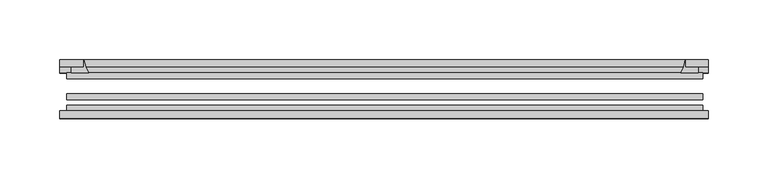
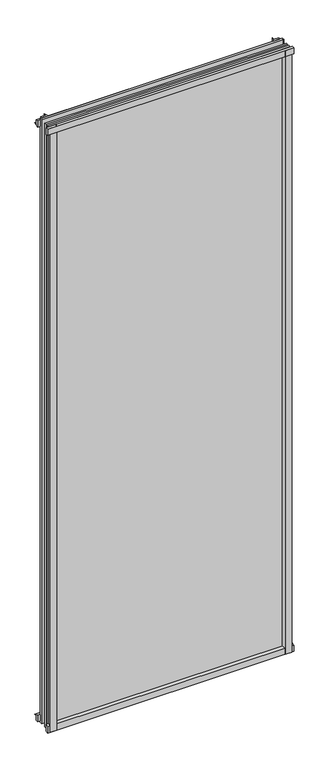
"""IFC4 building model written with IfcOpenShell, lengths in millimetres: plate geometry."""

from ifc_helpers import new_model, si_unit, point, frame, frame_2d, origin, place, context, project, spatial, polyline, circle_curve, trimmed, segment, composite_curve, outline, extrude, source, transform, mapped, element, save


def plate_4c1a7bc3(model_context):
    return source(origin(), model_context, "Body", "SweptSolid", [
        extrude(outline(composite_curve([segment(polyline([(-85.1328625, 1385.9063002), (-78.7828625, 1385.9063002), (-78.7828625, 1369.6561909)]), True, "CONTINUOUS"), segment(trimmed(circle_curve(frame_2d((-85.0581856, 1360.6064356)), 11.0126179), [point((-78.7828625, 1369.6561909))], [point((-85.1328625, 1371.6188002))], True, "CARTESIAN"), True, "CONTINUOUS"), segment(polyline([(-85.1328625, 1371.6188002), (-85.1328625, 1385.9063002)]), True, "CONTINUOUS")], self_intersect=False)), frame((-270.8671875, 0.0, 0.0), z_axis=(1.0, 0.0, 0.0), x_axis=(0.0, 1.0, 0.0)), (0.0, 0.0, 1.0), 540.54375),
        extrude(outline(composite_curve([segment(polyline([(-265.1125, -78.7828625), (-248.2512844, -78.7828625)]), True, "CONTINUOUS"), segment(trimmed(circle_curve(frame_2d((-237.6888809, -86.7604812)), 13.2365693), [point((-248.2512844, -78.7828625))], [point((-250.825, -85.1328625))], True, "CARTESIAN"), True, "CONTINUOUS"), segment(polyline([(-250.825, -85.1328625), (-265.1125, -85.1328625), (-265.1125, -78.7828625)]), True, "CONTINUOUS")], self_intersect=False)), frame((0.0, 0.0, -14.2875), z_axis=(0.0, 0.0, 1.0), x_axis=(1.0, 0.0, 0.0)), (0.0, 0.0, 1.0), 1400.175),
        extrude(outline(composite_curve([segment(polyline([(265.1125, -78.7828625), (265.1125, -85.1328625), (250.825, -85.1328625)]), True, "CONTINUOUS"), segment(trimmed(circle_curve(frame_2d((237.6888809, -86.7604812)), 13.2365693), [point((250.825, -85.1328625))], [point((248.2512844, -78.7828625))], True, "CARTESIAN"), True, "CONTINUOUS"), segment(polyline([(248.2512844, -78.7828625), (265.1125, -78.7828625)]), True, "CONTINUOUS")], self_intersect=False)), frame((0.0, 0.0, -14.2875), z_axis=(0.0, 0.0, 1.0), x_axis=(1.0, 0.0, 0.0)), (0.0, 0.0, 1.0), 1400.175),
        extrude(outline(composite_curve([segment(polyline([(-47.1852625, -10.4712201), (-47.1852625, 3.9588469)]), True, "CONTINUOUS"), segment(trimmed(circle_curve(frame_2d((-30.6824422, 32.267054)), 32.7673262), [point((-47.1852625, 3.9588469))], [point((-36.3503395, -0.00635))], True, "CARTESIAN"), True, "CONTINUOUS"), segment(polyline([(-36.3503395, -0.00635), (-42.2830625, -0.00635), (-42.2830625, -10.4712201), (-47.1852625, -10.4712201)]), True, "CONTINUOUS")], self_intersect=False)), frame((-270.8671875, 0.0, 0.0), z_axis=(1.0, 0.0, 0.0), x_axis=(0.0, 1.0, 0.0)), (0.0, 0.0, 1.0), 540.54375),
        extrude(outline(composite_curve([segment(polyline([(-78.7828625, -14.2875), (-85.1328625, -14.2875), (-85.1328625, -0.0127)]), True, "CONTINUOUS"), segment(trimmed(circle_curve(frame_2d((-86.7604812, 13.1234191)), 13.2365693), [point((-85.1328625, -0.0127))], [point((-78.7828625, 2.5610156))], True, "CARTESIAN"), True, "CONTINUOUS"), segment(polyline([(-78.7828625, 2.5610156), (-78.7828625, -14.2875)]), True, "CONTINUOUS")], self_intersect=False)), frame((-270.8671875, 0.0, 0.0), z_axis=(1.0, 0.0, 0.0), x_axis=(0.0, 1.0, 0.0)), (0.0, 0.0, 1.0), 540.54375),
        extrude(outline(composite_curve([segment(polyline([(-47.1852625, 1367.6284531), (-47.1852625, 1382.3002564), (-42.2830625, 1382.3002564), (-42.2830625, 1371.6), (-36.3140625, 1371.6)]), True, "CONTINUOUS"), segment(trimmed(circle_curve(frame_2d((-30.6824422, 1339.320246)), 32.7673262), [point((-36.3140625, 1371.6))], [point((-47.1852625, 1367.6284531))], True, "CARTESIAN"), True, "CONTINUOUS")], self_intersect=False)), frame((-270.8671875, 0.0, 0.0), z_axis=(1.0, 0.0, 0.0), x_axis=(0.0, 1.0, 0.0)), (0.0, 0.0, 1.0), 540.54375),
        extrude(outline(composite_curve([segment(trimmed(circle_curve(frame_2d((218.545246, -30.6824422)), 32.7673262), [point((246.8534531, -47.1852625))], [point((250.825, -36.3140625))], True, "CARTESIAN"), True, "CONTINUOUS"), segment(polyline([(250.825, -36.3140625), (250.825, -42.2830625), (261.5253653, -42.2830625), (261.5253653, -47.1852625), (246.8534531, -47.1852625)]), True, "CONTINUOUS")], self_intersect=False)), frame((0.0, 0.0, -14.2875), z_axis=(0.0, 0.0, 1.0), x_axis=(1.0, 0.0, 0.0)), (0.0, 0.0, 1.0), 1400.175),
        extrude(outline(composite_curve([segment(polyline([(-246.8534531, -47.1852625), (-261.5202092, -47.1852625), (-261.5202092, -42.2830625), (-250.825, -42.2830625), (-250.825, -36.3140625)]), True, "CONTINUOUS"), segment(trimmed(circle_curve(frame_2d((-218.545246, -30.6824422)), 32.7673262), [point((-250.825, -36.3140625))], [point((-246.8534531, -47.1852625))], True, "CARTESIAN"), True, "CONTINUOUS")], self_intersect=False)), frame((0.0, 0.0, -14.2875), z_axis=(0.0, 0.0, 1.0), x_axis=(1.0, 0.0, 0.0)), (0.0, 0.0, 1.0), 1400.175),
        extrude(outline(polyline([(265.1125, -64.6604625), (265.1125, -69.4356625), (-265.1125, -69.4356625), (-265.1125, -64.6604625), (265.1125, -64.6604625)])), frame((0.0, 0.0, -14.2875), z_axis=(0.0, 0.0, 1.0), x_axis=(1.0, 0.0, 0.0)), (0.0, 0.0, 1.0), 1400.175),
        extrude(outline(polyline([(-265.1125, -78.7828625), (-265.1125, -74.0076625), (265.1125, -74.0076625), (265.1125, -78.7828625), (-265.1125, -78.7828625)])), frame((0.0, 0.0, -14.2875), z_axis=(0.0, 0.0, 1.0), x_axis=(1.0, 0.0, 0.0)), (0.0, 0.0, 1.0), 1400.175),
        extrude(outline(polyline([(-265.1125, -47.1852625), (265.1125, -47.1852625), (265.1125, -51.9604625), (-265.1125, -51.9604625), (-265.1125, -47.1852625)])), frame((0.0, 0.0, -14.2875), z_axis=(0.0, 0.0, 1.0), x_axis=(1.0, 0.0, 0.0)), (0.0, 0.0, 1.0), 1400.175),
    ])


if __name__ == "__main__":
    model = new_model("IFC4")
    model_context = context("Model", 3, world=origin())
    ifc_project = project(units=[si_unit("LENGTHUNIT", "METRE", prefix="MILLI")], contexts=[model_context])
    site = spatial("IfcSite", under=ifc_project)
    building = spatial("IfcBuilding", under=site)
    placement = place(None, origin())
    plate_shape = plate_4c1a7bc3(model_context)
    element("IfcPlate", 1, at=placement, inside=building, context=model_context, shape_type="MappedRepresentation", body=[
        mapped(plate_shape, transform((0.0, 0.0, 0.0), x_axis=(1.0, 0.0, 0.0), y_axis=(0.0, 1.0, 0.0), z_axis=(0.0, 0.0, 1.0))),
    ])
    save(model, "model.ifc")
